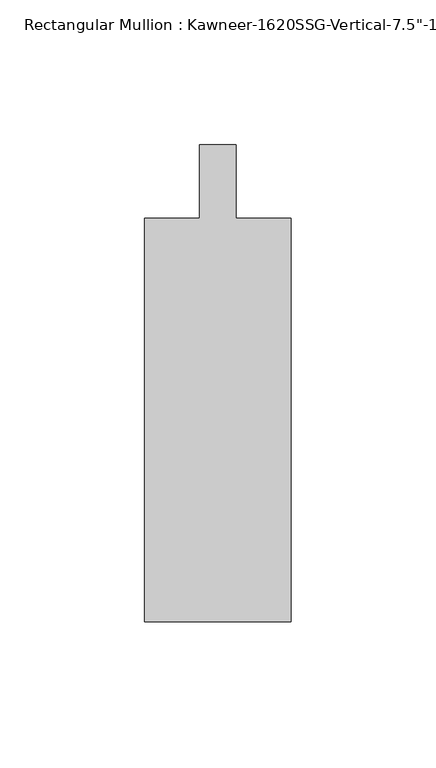
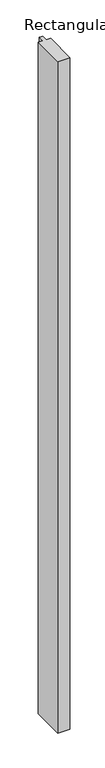
"""IFC4 building model written with IfcOpenShell, lengths in millimetres: member geometry."""

from ifc_helpers import new_model, si_unit, frame, origin, place, context, project, spatial, polyline, outline, extrude, source, transform, mapped, element, save


def member_097a2cfc(model_context):
    return source(origin(), model_context, "Body", "SweptSolid", [
        extrude(outline(polyline([(25.4, -152.4), (-25.4, -152.4), (-25.4, -12.7), (-6.35, -12.7), (-6.35, 12.7), (6.35, 12.7), (6.35, -12.7), (25.4, -12.7), (25.4, -152.4)])), frame((0.0, 0.0, -2959.1), z_axis=(0.0, 0.0, 1.0), x_axis=(1.0, 0.0, 0.0)), (0.0, 0.0, 1.0), 2959.1),
    ])


if __name__ == "__main__":
    model = new_model("IFC4")
    model_context = context("Model", 3, world=origin())
    ifc_project = project(units=[si_unit("LENGTHUNIT", "METRE", prefix="MILLI")], contexts=[model_context])
    site = spatial("IfcSite", under=ifc_project)
    building = spatial("IfcBuilding", under=site)
    placement = place(None, origin())
    member_shape = member_097a2cfc(model_context)
    element("IfcMember", 1, ObjectType="Rectangular Mullion : Kawneer-1620SSG-Vertical-7.5\"-1\"Infill-Standard", at=placement, inside=building, context=model_context, shape_type="MappedRepresentation", body=[
        mapped(member_shape, transform((0.0, 0.0, 0.0), x_axis=(1.0, 0.0, 0.0), y_axis=(0.0, 1.0, 0.0), z_axis=(0.0, 0.0, 1.0))),
    ])
    save(model, "model.ifc")
